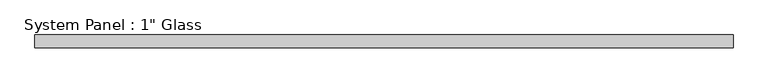
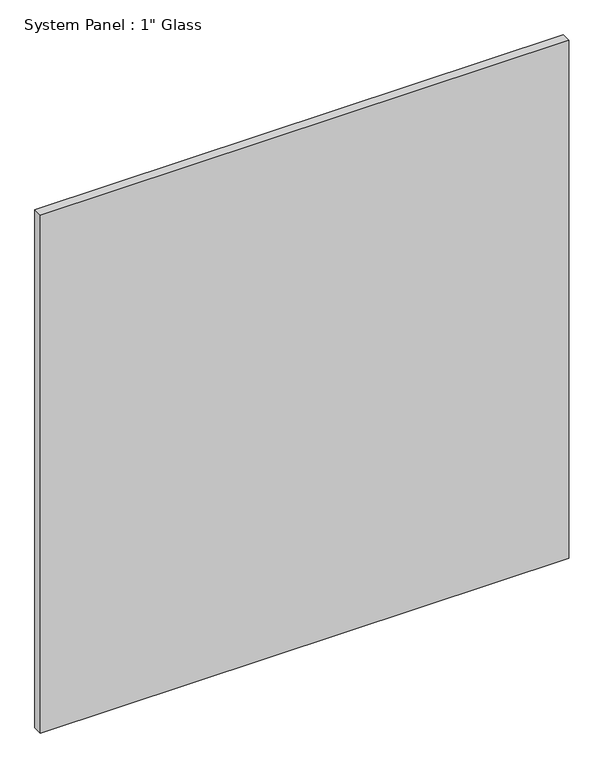
"""IFC4 building model written with IfcOpenShell, lengths in millimetres: plate geometry."""

from ifc_helpers import new_model, si_unit, origin, origin_with_axes, place, context, project, spatial, polyline, outline, extrude, source, transform, mapped, element, save


def plate_175c863d(model_context):
    return source(origin(), model_context, "Body", "SweptSolid", [
        extrude(outline(polyline([(699.5095691, -12.7), (-699.5095691, -12.7), (-699.5095691, 12.7), (699.5095691, 12.7), (699.5095691, -12.7)])), origin_with_axes(), (0.0, 0.0, 1.0), 1449.8191382),
    ])


if __name__ == "__main__":
    model = new_model("IFC4")
    model_context = context("Model", 3, world=origin())
    ifc_project = project(units=[si_unit("LENGTHUNIT", "METRE", prefix="MILLI")], contexts=[model_context])
    site = spatial("IfcSite", under=ifc_project)
    building = spatial("IfcBuilding", under=site)
    placement = place(None, origin())
    plate_shape = plate_175c863d(model_context)
    element("IfcPlate", 1, ObjectType="System Panel : 1\" Glass", at=placement, inside=building, context=model_context, shape_type="MappedRepresentation", body=[
        mapped(plate_shape, transform((0.0, 0.0, 0.0), x_axis=(1.0, 0.0, 0.0), y_axis=(0.0, 1.0, 0.0), z_axis=(0.0, 0.0, 1.0))),
    ])
    save(model, "model.ifc")
